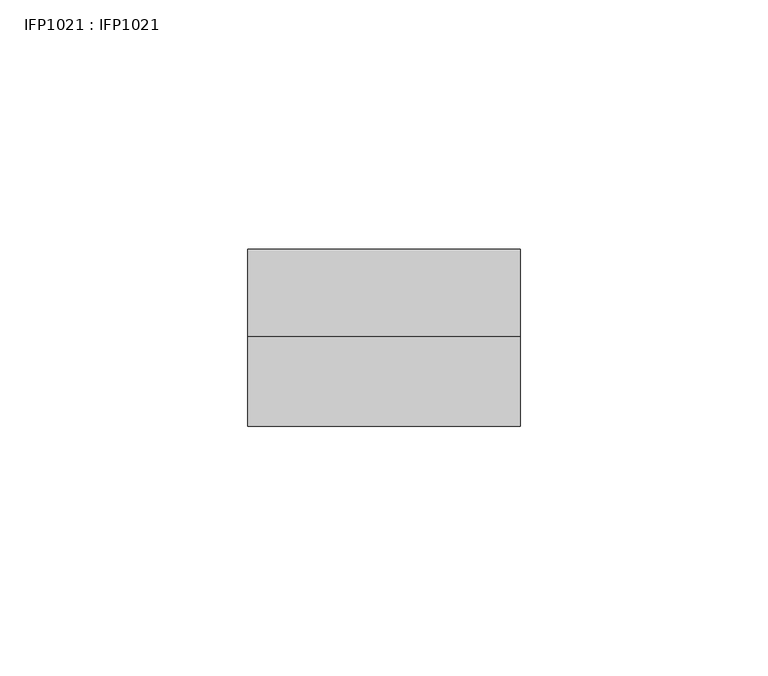
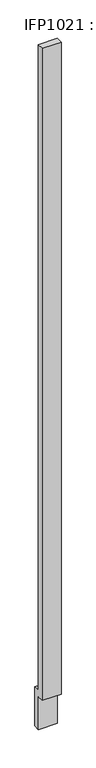
"""IFC4 building model written with IfcOpenShell, lengths in millimetres: proxy geometry, IFP1021 : IFP1021."""

from ifc_helpers import new_model, si_unit, frame, origin, place, context, project, spatial, polyline, outline, extrude, source, transform, mapped, element, save


def ifp1021_ifp1021_27b3cd9b(model_context):
    return source(origin(), model_context, "Body", "SweptSolid", [
        extrude(outline(polyline([(-36.0, 100.0), (-36.0, 2100.0), (-18.0, 2100.0), (-18.0, 120.0), (0.0, 120.0), (0.0, 0.0), (-18.0, 0.0), (-18.0, 100.0), (-36.0, 100.0)])), frame((0.0, 0.0, 0.0), z_axis=(1.0, 0.0, 0.0), x_axis=(0.0, 1.0, 0.0)), (0.0, 0.0, 1.0), 55.0),
    ])


if __name__ == "__main__":
    model = new_model("IFC4")
    model_context = context("Model", 3, world=origin())
    ifc_project = project(units=[si_unit("LENGTHUNIT", "METRE", prefix="MILLI")], contexts=[model_context])
    site = spatial("IfcSite", under=ifc_project)
    building = spatial("IfcBuilding", under=site)
    placement = place(None, origin())
    ifp1021_ifp1021_shape = ifp1021_ifp1021_27b3cd9b(model_context)
    element("IfcBuildingElementProxy", 1, Name="IFP1021 : IFP1021", ObjectType="IFP1021 : IFP1021", at=placement, inside=building, context=model_context, shape_type="MappedRepresentation", body=[
        mapped(ifp1021_ifp1021_shape, transform((0.0, 0.0, 0.0), x_axis=(1.0, 0.0, 0.0), y_axis=(0.0, 1.0, 0.0), z_axis=(0.0, 0.0, 1.0))),
    ])
    save(model, "model.ifc")
